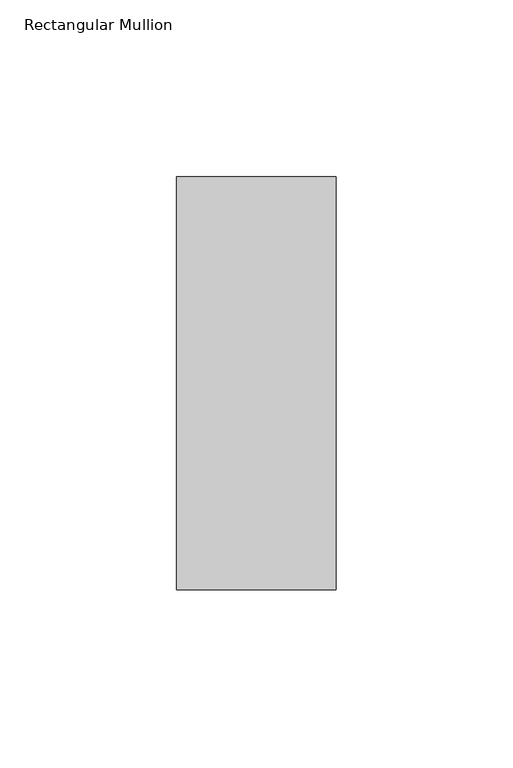
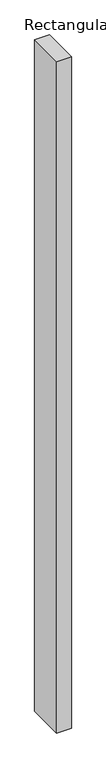
"""IFC4 building model written with IfcOpenShell, lengths in millimetres: member geometry, Rectangular Mullion."""

import ifcopenshell
import ifcopenshell.guid

model = None  # the IFC model being written
_history = None  # IfcOwnerHistory: only IFC2X3 demands one
_inside = {}  # id of a spatial element -> (the spatial element, [elements in it])
_under = {}  # id of a project, library or spatial element -> (it, [spatial elements below it])
_declared = {}  # id of a project -> (the project, [libraries it declares])
_typed = {}  # id of a type object -> (the type object, [elements of that type])
_made_of = {}  # id of a material, layer set ... -> (it, [elements and type objects made of it])


def new_model(schema):
    """Start an empty IFC model of exactly this schema.

    Asked for "IFC4X3", IfcOpenShell would pick the latest addendum, in which some entities
    have other attributes; the version numbers below select the first issue.
    IFC2X3 requires an IfcOwnerHistory on every rooted entity: one is made here for all.
    """
    global model, _history
    if schema == "IFC4X3":
        model = ifcopenshell.file(schema_version=(4, 3, 0, 0))
    else:
        model = ifcopenshell.file(schema=schema)
    _inside.clear()
    _under.clear()
    _declared.clear()
    _typed.clear()
    _made_of.clear()
    _history = None
    if model.schema == "IFC2X3":
        org = make("IfcOrganization", Name="unknown")
        user = make(
            "IfcPersonAndOrganization",
            ThePerson=make("IfcPerson", FamilyName="unknown"),
            TheOrganization=org,
        )
        app = make(
            "IfcApplication",
            ApplicationDeveloper=org,
            Version="unknown",
            ApplicationFullName="unknown",
            ApplicationIdentifier="unknown",
        )
        _history = make(
            "IfcOwnerHistory",
            OwningUser=user,
            OwningApplication=app,
            ChangeAction="ADDED",
            CreationDate=0,
        )
    return model


def make(cls, **values):
    """One entity of the class cls with the attributes given. An attribute that is None is left unset."""
    return model.create_entity(
        cls, **{name: value for name, value in values.items() if value is not None}
    )


def rooted(cls, **values):
    """An entity with a GlobalId (a new one), such as an element, a storey or a relation."""
    return make(cls, GlobalId=ifcopenshell.guid.new(), OwnerHistory=_history, **values)


def si_unit(unit_type, name, prefix=None):
    """IfcSIUnit, for example si_unit("LENGTHUNIT", "METRE", prefix="MILLI")."""
    return make("IfcSIUnit", UnitType=unit_type, Prefix=prefix, Name=name)


def assignment(units):
    """IfcUnitAssignment: the units of a project."""
    return None if units is None else make("IfcUnitAssignment", Units=units)


def point(xyz):
    """IfcCartesianPoint."""
    return None if xyz is None else make("IfcCartesianPoint", Coordinates=xyz)


def direction(xyz):
    """IfcDirection."""
    return None if xyz is None else make("IfcDirection", DirectionRatios=xyz)


def frame(location, z_axis=None, x_axis=None):
    """IfcAxis2Placement3D, a coordinate frame: its origin and axes. An axis left out is left unset."""
    return make(
        "IfcAxis2Placement3D",
        Location=point(location),
        Axis=direction(z_axis),
        RefDirection=direction(x_axis),
    )


def origin():
    """The frame at (0, 0, 0) with its axes left unset."""
    return frame((0.0, 0.0, 0.0))


def place(relative_to, where):
    """IfcLocalPlacement: puts the frame where relative to a parent placement (None: the world)."""
    return make(
        "IfcLocalPlacement", PlacementRelTo=relative_to, RelativePlacement=where
    )


def context(
    kind, dimensions, precision=None, world=None, true_north=None, identifier=None
):
    """IfcGeometricRepresentationContext, for example the 3D "Model" context."""
    return make(
        "IfcGeometricRepresentationContext",
        ContextIdentifier=identifier,
        ContextType=kind,
        CoordinateSpaceDimension=dimensions,
        Precision=precision,
        WorldCoordinateSystem=world,
        TrueNorth=true_north,
    )


def project(units=None, contexts=None):
    """IfcProject with its units and contexts."""
    return rooted(
        "IfcProject",
        Name="project",
        RepresentationContexts=contexts,
        UnitsInContext=assignment(units),
    )


def spatial(cls, under=None, at=None, **own):
    """A site, building, storey or space (cls), placed at a placement, below another one or the project."""
    s = rooted(cls, ObjectPlacement=at, **own)
    if under is not None:
        _under.setdefault(under.id(), (under, []))[1].append(s)
    return s


def polyline(points):
    """IfcPolyline through the points."""
    return make("IfcPolyline", Points=[point(p) for p in points])


def outline(outer, holes=None, kind="AREA"):
    """IfcArbitraryClosedProfileDef: a profile drawn as a closed curve; with holes, ...WithVoids."""
    if holes is None:
        return make("IfcArbitraryClosedProfileDef", ProfileType=kind, OuterCurve=outer)
    return make(
        "IfcArbitraryProfileDefWithVoids",
        ProfileType=kind,
        OuterCurve=outer,
        InnerCurves=holes,
    )


def extrude(swept, where, along, depth):
    """IfcExtrudedAreaSolid: the profile swept, set in the frame where, extruded along a direction by depth."""
    return make(
        "IfcExtrudedAreaSolid",
        SweptArea=swept,
        Position=where,
        ExtrudedDirection=direction(along),
        Depth=depth,
    )


def shape(context_of_items, identifier, shape_type, items):
    """IfcShapeRepresentation: the items that make up one representation, for example the "Body"."""
    return make(
        "IfcShapeRepresentation",
        ContextOfItems=context_of_items,
        RepresentationIdentifier=identifier,
        RepresentationType=shape_type,
        Items=items,
    )


def source(mapping_origin, context_of_items, identifier, shape_type, items):
    """IfcRepresentationMap: a shape defined once, which mapped items show again and again."""
    return make(
        "IfcRepresentationMap",
        MappingOrigin=mapping_origin,
        MappedRepresentation=shape(context_of_items, identifier, shape_type, items),
    )


def transform(
    local_origin,
    x_axis=None,
    y_axis=None,
    z_axis=None,
    scale=None,
    scale2=None,
    scale3=None,
    uniform=True,
):
    """IfcCartesianTransformationOperator3D, or its non-uniform kind. x_axis, y_axis, z_axis: its Axis1, 2, 3."""
    if uniform:
        return make(
            "IfcCartesianTransformationOperator3D",
            Axis1=direction(x_axis),
            Axis2=direction(y_axis),
            LocalOrigin=point(local_origin),
            Scale=scale,
            Axis3=direction(z_axis),
        )
    return make(
        "IfcCartesianTransformationOperator3DnonUniform",
        Axis1=direction(x_axis),
        Axis2=direction(y_axis),
        LocalOrigin=point(local_origin),
        Scale=scale,
        Axis3=direction(z_axis),
        Scale2=scale2,
        Scale3=scale3,
    )


def mapped(mapping_source, mapping_target):
    """IfcMappedItem: shows the shape of a source again, moved by a transform."""
    return make(
        "IfcMappedItem", MappingSource=mapping_source, MappingTarget=mapping_target
    )


def made_of(thing, what):
    """Note that an element or type object is made of a material, layer set ...; save() writes the relation."""
    if what is not None:
        _made_of.setdefault(what.id(), (what, []))[1].append(thing)
    return thing


def element(
    cls,
    number,
    at=None,
    inside=None,
    cuts=None,
    type_object=None,
    material=None,
    context=None,
    identifier="Body",
    shape_type=None,
    held_by="IfcProductDefinitionShape",
    body=None,
    shapes=None,
    **own,
):
    """One element of the class cls, such as IfcWall. Its Tag is "e" and its number.

    at: its placement. inside: the storey or other place that contains it. cuts: it is an
    opening in that element (IfcRelVoidsElement). A single representation is given by context,
    identifier, shape_type and body (its items); several are given by shapes. held_by: the class
    of the entity that holds the representations. save() writes the other relations.
    """
    e = rooted(cls, Tag="e%d" % number, ObjectPlacement=at, **own)
    if body is not None:
        shapes = [shape(context, identifier, shape_type, body)]
    if shapes is not None:
        e.Representation = make(held_by, Representations=shapes)
    if inside is not None:
        _inside.setdefault(inside.id(), (inside, []))[1].append(e)
    if cuts is not None:
        rooted(
            "IfcRelVoidsElement", RelatingBuildingElement=cuts, RelatedOpeningElement=e
        )
    if type_object is not None:
        _typed.setdefault(type_object.id(), (type_object, []))[1].append(e)
    return made_of(e, material)


def aggregate(whole, parts):
    """IfcRelAggregates: a whole, such as a stair, and the parts it consists of."""
    return rooted("IfcRelAggregates", RelatingObject=whole, RelatedObjects=parts)


def save(model, path):
    """Write the relations noted so far, then the file.

    IfcRelAggregates (storeys below a building ...), IfcRelContainedInSpatialStructure (elements
    in a storey), IfcRelDefinesByType, IfcRelAssociatesMaterial and IfcRelDeclares: one each for
    every whole, place, type object, material and project.
    """
    for whole, parts in _under.values():
        aggregate(whole, parts)
    for where, things in _inside.values():
        rooted(
            "IfcRelContainedInSpatialStructure",
            RelatedElements=things,
            RelatingStructure=where,
        )
    for kind, things in _typed.values():
        rooted("IfcRelDefinesByType", RelatedObjects=things, RelatingType=kind)
    for what, things in _made_of.values():
        rooted("IfcRelAssociatesMaterial", RelatedObjects=things, RelatingMaterial=what)
    for by, libraries in _declared.values():
        rooted("IfcRelDeclares", RelatingContext=by, RelatedDefinitions=libraries)
    model.write(path)


def rectangular_mullion_3165cb84(model_context):
    return source(origin(), model_context, "Body", "SweptSolid", [
        extrude(outline(polyline([(22.5226562, 73.875), (22.5226562, -42.8257813), (-22.5226562, -42.8257813), (-22.5226562, 73.875), (22.5226562, 73.875)])), frame((0.0, 0.0, -2180.6210113), z_axis=(0.0, 0.0, 1.0), x_axis=(1.0, 0.0, 0.0)), (0.0, 0.0, 1.0), 2180.6210113),
    ])


if __name__ == "__main__":
    model = new_model("IFC4")
    model_context = context("Model", 3, world=origin())
    ifc_project = project(units=[si_unit("LENGTHUNIT", "METRE", prefix="MILLI")], contexts=[model_context])
    site = spatial("IfcSite", under=ifc_project)
    building = spatial("IfcBuilding", under=site)
    placement = place(None, origin())
    rectangular_mullion_shape = rectangular_mullion_3165cb84(model_context)
    element("IfcMember", 1, ObjectType="Rectangular Mullion", at=placement, inside=building, context=model_context, shape_type="MappedRepresentation", body=[
        mapped(rectangular_mullion_shape, transform((0.0, 0.0, 0.0), x_axis=(1.0, 0.0, 0.0), y_axis=(0.0, 1.0, 0.0), z_axis=(0.0, 0.0, 1.0))),
    ])
    save(model, "model.ifc")
